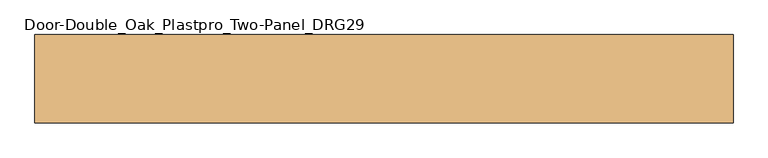
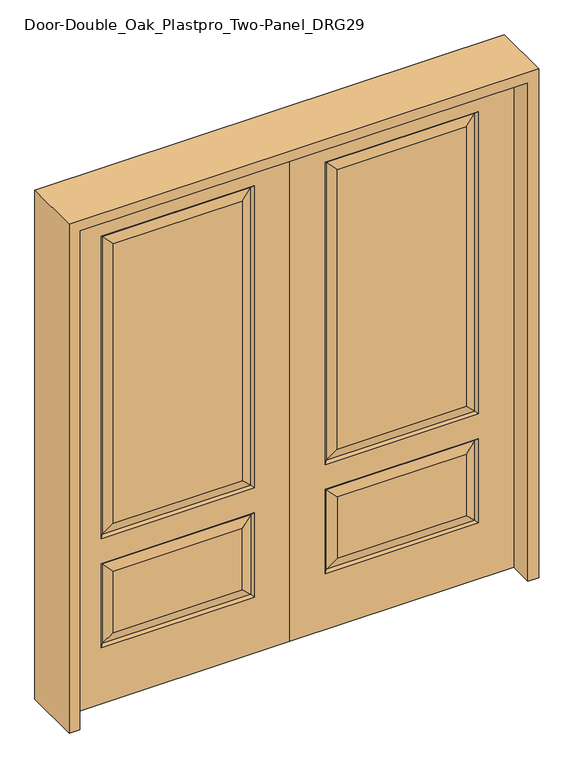
"""IFC4 building model written with IfcOpenShell, lengths in millimetres: door geometry, Door-Double_Oak_Plastpro_Two-Panel_DRG29."""

import ifcopenshell
import ifcopenshell.guid

model = None  # the IFC model being written
_history = None  # IfcOwnerHistory: only IFC2X3 demands one
_inside = {}  # id of a spatial element -> (the spatial element, [elements in it])
_under = {}  # id of a project, library or spatial element -> (it, [spatial elements below it])
_declared = {}  # id of a project -> (the project, [libraries it declares])
_typed = {}  # id of a type object -> (the type object, [elements of that type])
_made_of = {}  # id of a material, layer set ... -> (it, [elements and type objects made of it])


def new_model(schema):
    """Start an empty IFC model of exactly this schema.

    Asked for "IFC4X3", IfcOpenShell would pick the latest addendum, in which some entities
    have other attributes; the version numbers below select the first issue.
    IFC2X3 requires an IfcOwnerHistory on every rooted entity: one is made here for all.
    """
    global model, _history
    if schema == "IFC4X3":
        model = ifcopenshell.file(schema_version=(4, 3, 0, 0))
    else:
        model = ifcopenshell.file(schema=schema)
    _inside.clear()
    _under.clear()
    _declared.clear()
    _typed.clear()
    _made_of.clear()
    _history = None
    if model.schema == "IFC2X3":
        org = make("IfcOrganization", Name="unknown")
        user = make(
            "IfcPersonAndOrganization",
            ThePerson=make("IfcPerson", FamilyName="unknown"),
            TheOrganization=org,
        )
        app = make(
            "IfcApplication",
            ApplicationDeveloper=org,
            Version="unknown",
            ApplicationFullName="unknown",
            ApplicationIdentifier="unknown",
        )
        _history = make(
            "IfcOwnerHistory",
            OwningUser=user,
            OwningApplication=app,
            ChangeAction="ADDED",
            CreationDate=0,
        )
    return model


def make(cls, **values):
    """One entity of the class cls with the attributes given. An attribute that is None is left unset."""
    return model.create_entity(
        cls, **{name: value for name, value in values.items() if value is not None}
    )


def rooted(cls, **values):
    """An entity with a GlobalId (a new one), such as an element, a storey or a relation."""
    return make(cls, GlobalId=ifcopenshell.guid.new(), OwnerHistory=_history, **values)


def si_unit(unit_type, name, prefix=None):
    """IfcSIUnit, for example si_unit("LENGTHUNIT", "METRE", prefix="MILLI")."""
    return make("IfcSIUnit", UnitType=unit_type, Prefix=prefix, Name=name)


def assignment(units):
    """IfcUnitAssignment: the units of a project."""
    return None if units is None else make("IfcUnitAssignment", Units=units)


def point(xyz):
    """IfcCartesianPoint."""
    return None if xyz is None else make("IfcCartesianPoint", Coordinates=xyz)


def direction(xyz):
    """IfcDirection."""
    return None if xyz is None else make("IfcDirection", DirectionRatios=xyz)


def frame(location, z_axis=None, x_axis=None):
    """IfcAxis2Placement3D, a coordinate frame: its origin and axes. An axis left out is left unset."""
    return make(
        "IfcAxis2Placement3D",
        Location=point(location),
        Axis=direction(z_axis),
        RefDirection=direction(x_axis),
    )


def origin():
    """The frame at (0, 0, 0) with its axes left unset."""
    return frame((0.0, 0.0, 0.0))


def place(relative_to, where):
    """IfcLocalPlacement: puts the frame where relative to a parent placement (None: the world)."""
    return make(
        "IfcLocalPlacement", PlacementRelTo=relative_to, RelativePlacement=where
    )


def context(
    kind, dimensions, precision=None, world=None, true_north=None, identifier=None
):
    """IfcGeometricRepresentationContext, for example the 3D "Model" context."""
    return make(
        "IfcGeometricRepresentationContext",
        ContextIdentifier=identifier,
        ContextType=kind,
        CoordinateSpaceDimension=dimensions,
        Precision=precision,
        WorldCoordinateSystem=world,
        TrueNorth=true_north,
    )


def project(units=None, contexts=None):
    """IfcProject with its units and contexts."""
    return rooted(
        "IfcProject",
        Name="project",
        RepresentationContexts=contexts,
        UnitsInContext=assignment(units),
    )


def spatial(cls, under=None, at=None, **own):
    """A site, building, storey or space (cls), placed at a placement, below another one or the project."""
    s = rooted(cls, ObjectPlacement=at, **own)
    if under is not None:
        _under.setdefault(under.id(), (under, []))[1].append(s)
    return s


def polyline(points):
    """IfcPolyline through the points."""
    return make("IfcPolyline", Points=[point(p) for p in points])


def outline(outer, holes=None, kind="AREA"):
    """IfcArbitraryClosedProfileDef: a profile drawn as a closed curve; with holes, ...WithVoids."""
    if holes is None:
        return make("IfcArbitraryClosedProfileDef", ProfileType=kind, OuterCurve=outer)
    return make(
        "IfcArbitraryProfileDefWithVoids",
        ProfileType=kind,
        OuterCurve=outer,
        InnerCurves=holes,
    )


def extrude(swept, where, along, depth):
    """IfcExtrudedAreaSolid: the profile swept, set in the frame where, extruded along a direction by depth."""
    return make(
        "IfcExtrudedAreaSolid",
        SweptArea=swept,
        Position=where,
        ExtrudedDirection=direction(along),
        Depth=depth,
    )


def faces_of(points, faces, orient=None, outer=None):
    """IfcFace entities. A face is a list of loops; a loop is a list of indices into points, from 0.

    orient and outer hold one flag for each loop. By default every Orientation is true, the
    first loop of a face is its IfcFaceOuterBound and the others are IfcFaceBound.
    """
    made = []
    for i, loops in enumerate(faces):
        bounds = []
        for j, loop in enumerate(loops):
            is_outer = j == 0 if outer is None else outer[i][j]
            bounds.append(
                make(
                    "IfcFaceOuterBound" if is_outer else "IfcFaceBound",
                    Bound=make("IfcPolyLoop", Polygon=[points[k] for k in loop]),
                    Orientation=True if orient is None else orient[i][j],
                )
            )
        made.append(make("IfcFace", Bounds=bounds))
    return made


def faceted_brep(points, faces, orient=None, outer=None, voids=None):
    """IfcFacetedBrep: a solid bounded by flat faces; with voids (closed shells), ...WithVoids."""
    shared = [point(p) for p in points]
    hull = make("IfcClosedShell", CfsFaces=faces_of(shared, faces, orient, outer))
    if voids is None:
        return make("IfcFacetedBrep", Outer=hull)
    return make(
        "IfcFacetedBrepWithVoids",
        Outer=hull,
        Voids=[
            make(cls, CfsFaces=faces_of(shared, fs, o, b)) for cls, fs, o, b in voids
        ],
    )


def shape(context_of_items, identifier, shape_type, items):
    """IfcShapeRepresentation: the items that make up one representation, for example the "Body"."""
    return make(
        "IfcShapeRepresentation",
        ContextOfItems=context_of_items,
        RepresentationIdentifier=identifier,
        RepresentationType=shape_type,
        Items=items,
    )


def source(mapping_origin, context_of_items, identifier, shape_type, items):
    """IfcRepresentationMap: a shape defined once, which mapped items show again and again."""
    return make(
        "IfcRepresentationMap",
        MappingOrigin=mapping_origin,
        MappedRepresentation=shape(context_of_items, identifier, shape_type, items),
    )


def transform(
    local_origin,
    x_axis=None,
    y_axis=None,
    z_axis=None,
    scale=None,
    scale2=None,
    scale3=None,
    uniform=True,
):
    """IfcCartesianTransformationOperator3D, or its non-uniform kind. x_axis, y_axis, z_axis: its Axis1, 2, 3."""
    if uniform:
        return make(
            "IfcCartesianTransformationOperator3D",
            Axis1=direction(x_axis),
            Axis2=direction(y_axis),
            LocalOrigin=point(local_origin),
            Scale=scale,
            Axis3=direction(z_axis),
        )
    return make(
        "IfcCartesianTransformationOperator3DnonUniform",
        Axis1=direction(x_axis),
        Axis2=direction(y_axis),
        LocalOrigin=point(local_origin),
        Scale=scale,
        Axis3=direction(z_axis),
        Scale2=scale2,
        Scale3=scale3,
    )


def mapped(mapping_source, mapping_target):
    """IfcMappedItem: shows the shape of a source again, moved by a transform."""
    return make(
        "IfcMappedItem", MappingSource=mapping_source, MappingTarget=mapping_target
    )


def made_of(thing, what):
    """Note that an element or type object is made of a material, layer set ...; save() writes the relation."""
    if what is not None:
        _made_of.setdefault(what.id(), (what, []))[1].append(thing)
    return thing


def element(
    cls,
    number,
    at=None,
    inside=None,
    cuts=None,
    type_object=None,
    material=None,
    context=None,
    identifier="Body",
    shape_type=None,
    held_by="IfcProductDefinitionShape",
    body=None,
    shapes=None,
    **own,
):
    """One element of the class cls, such as IfcWall. Its Tag is "e" and its number.

    at: its placement. inside: the storey or other place that contains it. cuts: it is an
    opening in that element (IfcRelVoidsElement). A single representation is given by context,
    identifier, shape_type and body (its items); several are given by shapes. held_by: the class
    of the entity that holds the representations. save() writes the other relations.
    """
    e = rooted(cls, Tag="e%d" % number, ObjectPlacement=at, **own)
    if body is not None:
        shapes = [shape(context, identifier, shape_type, body)]
    if shapes is not None:
        e.Representation = make(held_by, Representations=shapes)
    if inside is not None:
        _inside.setdefault(inside.id(), (inside, []))[1].append(e)
    if cuts is not None:
        rooted(
            "IfcRelVoidsElement", RelatingBuildingElement=cuts, RelatedOpeningElement=e
        )
    if type_object is not None:
        _typed.setdefault(type_object.id(), (type_object, []))[1].append(e)
    return made_of(e, material)


def aggregate(whole, parts):
    """IfcRelAggregates: a whole, such as a stair, and the parts it consists of."""
    return rooted("IfcRelAggregates", RelatingObject=whole, RelatedObjects=parts)


def save(model, path):
    """Write the relations noted so far, then the file.

    IfcRelAggregates (storeys below a building ...), IfcRelContainedInSpatialStructure (elements
    in a storey), IfcRelDefinesByType, IfcRelAssociatesMaterial and IfcRelDeclares: one each for
    every whole, place, type object, material and project.
    """
    for whole, parts in _under.values():
        aggregate(whole, parts)
    for where, things in _inside.values():
        rooted(
            "IfcRelContainedInSpatialStructure",
            RelatedElements=things,
            RelatingStructure=where,
        )
    for kind, things in _typed.values():
        rooted("IfcRelDefinesByType", RelatedObjects=things, RelatingType=kind)
    for what, things in _made_of.values():
        rooted("IfcRelAssociatesMaterial", RelatedObjects=things, RelatingMaterial=what)
    for by, libraries in _declared.values():
        rooted("IfcRelDeclares", RelatingContext=by, RelatedDefinitions=libraries)
    model.write(path)


def door_double_oak_plastpro_two_panel_drg29_6bbd66f8(model_context):
    return source(origin(), model_context, "Body", "SolidModel", [
        faceted_brep([(717.9796986, -11.6572439, 562.4046986), (145.6203014, -11.6572439, 562.4046986), (182.6775452, -20.6375, 525.3474548), (680.9224548, -20.6375, 525.3474548), (182.6775452, -20.6375, 274.7525452), (145.6203014, -11.6572439, 237.6953014), (0.0, 20.6375, 0.0), (863.6, 20.6375, 0.0), (863.6, -20.6375, 0.0), (0.0, -20.6375, 0.0), (0.0, 20.6375, 2032.0), (0.0, -20.6375, 2032.0), (863.6, -20.6375, 2032.0), (136.6400452, -20.6375, 228.7150452), (136.6400452, -20.6375, 571.3849548), (726.9599548, -20.6375, 571.3849548), (726.9599548, -20.6375, 228.7150452), (136.6400452, -20.6375, 673.2150452), (136.6400452, -20.6375, 1904.8849548), (726.9599548, -20.6375, 1904.8849548), (726.9599548, -20.6375, 673.2150452), (680.9224548, -20.6375, 274.7525452), (680.9224548, -20.6375, 719.2525452), (680.9224548, -20.6375, 1858.8474548), (182.6775452, -20.6375, 1858.8474548), (182.6775452, -20.6375, 719.2525452), (680.9224548, 20.6375, 274.7525452), (680.9224548, 20.6375, 525.3474548), (717.9796986, 11.6572439, 562.4046986), (717.9796986, 11.6572439, 237.6953014), (726.9599548, 20.6375, 571.3849548), (726.9599548, 20.6375, 228.7150452), (145.6203014, 11.6572439, 237.6953014), (145.6203014, 11.6572439, 562.4046986), (182.6775452, 20.6375, 525.3474548), (182.6775452, 20.6375, 274.7525452), (145.6203014, 11.6572439, 682.1953014), (182.6775452, 20.6375, 719.2525452), (680.9224548, 20.6375, 719.2525452), (717.9796986, 11.6572439, 682.1953014), (680.9224548, 20.6375, 1858.8474548), (717.9796986, 11.6572439, 1895.9046986), (136.6400452, 20.6375, 571.3849548), (717.9796986, -11.6572439, 237.6953014), (863.6, 20.6375, 2032.0), (136.6400452, 20.6375, 228.7150452), (726.9599548, 20.6375, 673.2150452), (726.9599548, 20.6375, 1904.8849548), (136.6400452, 20.6375, 1904.8849548), (136.6400452, 20.6375, 673.2150452), (182.6775452, 20.6375, 1858.8474548), (145.6203014, 11.6572439, 1895.9046986), (145.6203014, -11.6572439, 682.1953014), (717.9796986, -11.6572439, 682.1953014), (717.9796986, -11.6572439, 1895.9046986), (145.6203014, -11.6572439, 1895.9046986)], [[[0, 1, 2, 3]], [[4, 2, 1, 5]], [[6, 7, 8, 9]], [[10, 6, 9, 11]], [[11, 9, 8, 12], [13, 14, 15, 16], [17, 18, 19, 20]], [[21, 3, 2, 4]], [[22, 23, 24, 25]], [[26, 27, 28, 29]], [[29, 28, 30, 31]], [[32, 33, 34, 35]], [[36, 37, 38, 39]], [[38, 40, 41, 39]], [[28, 33, 42, 30]], [[16, 15, 0, 43]], [[15, 14, 1, 0]], [[12, 8, 7, 44]], [[44, 7, 6, 10], [31, 30, 42, 45], [46, 47, 48, 49]], [[37, 50, 40, 38]], [[35, 34, 27, 26]], [[10, 11, 12, 44]], [[49, 48, 51, 36]], [[29, 31, 45, 32]], [[36, 51, 50, 37]], [[45, 42, 33, 32]], [[39, 46, 49, 36]], [[39, 41, 47, 46]], [[32, 35, 26, 29]], [[27, 34, 33, 28]], [[52, 17, 20, 53]], [[20, 19, 54, 53]], [[52, 55, 18, 17]], [[53, 22, 25, 52]], [[25, 24, 55, 52]], [[53, 54, 23, 22]], [[5, 13, 16, 43]], [[5, 1, 14, 13]], [[43, 21, 4, 5]], [[43, 0, 3, 21]], [[19, 18, 55, 54]], [[54, 55, 24, 23]], [[40, 50, 51, 41]], [[41, 51, 48, 47]]]),
        faceted_brep([(-717.9796986, -11.6572439, 562.4046986), (-680.9224548, -20.6375, 525.3474548), (-182.6775452, -20.6375, 525.3474548), (-145.6203014, -11.6572439, 562.4046986), (-182.6775452, -20.6375, 274.7525452), (-145.6203014, -11.6572439, 237.6953014), (0.0, 20.6375, 0.0), (0.0, -20.6375, 0.0), (-863.6, -20.6375, 0.0), (-863.6, 20.6375, 0.0), (0.0, 20.6375, 2032.0), (0.0, -20.6375, 2032.0), (-680.9224548, -20.6375, 719.2525452), (-182.6775452, -20.6375, 719.2525452), (-182.6775452, -20.6375, 1858.8474548), (-680.9224548, -20.6375, 1858.8474548), (-863.6, -20.6375, 2032.0), (-136.6400452, -20.6375, 673.2150452), (-726.9599548, -20.6375, 673.2150452), (-726.9599548, -20.6375, 1904.8849548), (-136.6400452, -20.6375, 1904.8849548), (-136.6400452, -20.6375, 228.7150452), (-726.9599548, -20.6375, 228.7150452), (-726.9599548, -20.6375, 571.3849548), (-136.6400452, -20.6375, 571.3849548), (-680.9224548, -20.6375, 274.7525452), (-680.9224548, 20.6375, 274.7525452), (-717.9796986, 11.6572439, 237.6953014), (-717.9796986, 11.6572439, 562.4046986), (-680.9224548, 20.6375, 525.3474548), (-726.9599548, 20.6375, 228.7150452), (-726.9599548, 20.6375, 571.3849548), (-145.6203014, 11.6572439, 237.6953014), (-182.6775452, 20.6375, 274.7525452), (-182.6775452, 20.6375, 525.3474548), (-145.6203014, 11.6572439, 562.4046986), (-145.6203014, 11.6572439, 682.1953014), (-717.9796986, 11.6572439, 682.1953014), (-680.9224548, 20.6375, 719.2525452), (-182.6775452, 20.6375, 719.2525452), (-717.9796986, 11.6572439, 1895.9046986), (-680.9224548, 20.6375, 1858.8474548), (-136.6400452, 20.6375, 571.3849548), (-717.9796986, -11.6572439, 237.6953014), (-863.6, 20.6375, 2032.0), (-136.6400452, 20.6375, 228.7150452), (-726.9599548, 20.6375, 673.2150452), (-136.6400452, 20.6375, 673.2150452), (-136.6400452, 20.6375, 1904.8849548), (-726.9599548, 20.6375, 1904.8849548), (-182.6775452, 20.6375, 1858.8474548), (-145.6203014, 11.6572439, 1895.9046986), (-145.6203014, -11.6572439, 682.1953014), (-717.9796986, -11.6572439, 682.1953014), (-717.9796986, -11.6572439, 1895.9046986), (-145.6203014, -11.6572439, 1895.9046986)], [[[0, 1, 2, 3]], [[4, 5, 3, 2]], [[6, 7, 8, 9]], [[10, 11, 7, 6]], [[12, 13, 14, 15]], [[11, 16, 8, 7], [17, 18, 19, 20], [21, 22, 23, 24]], [[25, 4, 2, 1]], [[26, 27, 28, 29]], [[27, 30, 31, 28]], [[32, 33, 34, 35]], [[36, 37, 38, 39]], [[38, 37, 40, 41]], [[28, 31, 42, 35]], [[22, 43, 0, 23]], [[23, 0, 3, 24]], [[16, 44, 9, 8]], [[33, 26, 29, 34]], [[44, 10, 6, 9], [30, 45, 42, 31], [46, 47, 48, 49]], [[39, 38, 41, 50]], [[10, 44, 16, 11]], [[47, 36, 51, 48]], [[27, 32, 45, 30]], [[36, 39, 50, 51]], [[45, 32, 35, 42]], [[37, 36, 47, 46]], [[37, 46, 49, 40]], [[32, 27, 26, 33]], [[29, 28, 35, 34]], [[52, 53, 18, 17]], [[18, 53, 54, 19]], [[52, 17, 20, 55]], [[53, 52, 13, 12]], [[13, 52, 55, 14]], [[53, 12, 15, 54]], [[5, 43, 22, 21]], [[5, 21, 24, 3]], [[43, 5, 4, 25]], [[43, 25, 1, 0]], [[19, 54, 55, 20]], [[54, 15, 14, 55]], [[41, 40, 51, 50]], [[40, 49, 48, 51]]]),
        extrude(outline(polyline([(2073.275, -904.875), (0.0, -904.875), (0.0, -863.6), (2032.0, -863.6), (2032.0, 863.6), (0.0, 863.6), (0.0, 904.875), (2073.275, 904.875), (2073.275, -904.875)])), frame((0.0, -114.3, 0.0), z_axis=(0.0, 1.0, 0.0), x_axis=(0.0, 0.0, 1.0)), (0.0, 0.0, 1.0), 228.6),
    ])


if __name__ == "__main__":
    model = new_model("IFC4")
    model_context = context("Model", 3, world=origin())
    ifc_project = project(units=[si_unit("LENGTHUNIT", "METRE", prefix="MILLI")], contexts=[model_context])
    site = spatial("IfcSite", under=ifc_project)
    building = spatial("IfcBuilding", under=site)
    placement = place(None, origin())
    door_double_oak_plastpro_two_panel_drg29_shape = door_double_oak_plastpro_two_panel_drg29_6bbd66f8(model_context)
    element("IfcDoor", 1, ObjectType="Door-Double_Oak_Plastpro_Two-Panel_DRG29", at=placement, inside=building, context=model_context, shape_type="MappedRepresentation", body=[
        mapped(door_double_oak_plastpro_two_panel_drg29_shape, transform((0.0, 0.0, 0.0), x_axis=(1.0, 0.0, 0.0), y_axis=(0.0, 1.0, 0.0), z_axis=(0.0, 0.0, 1.0))),
    ])
    save(model, "model.ifc")
